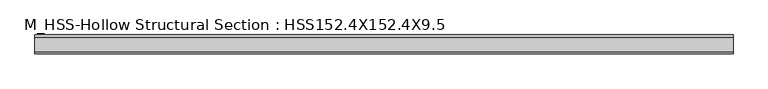
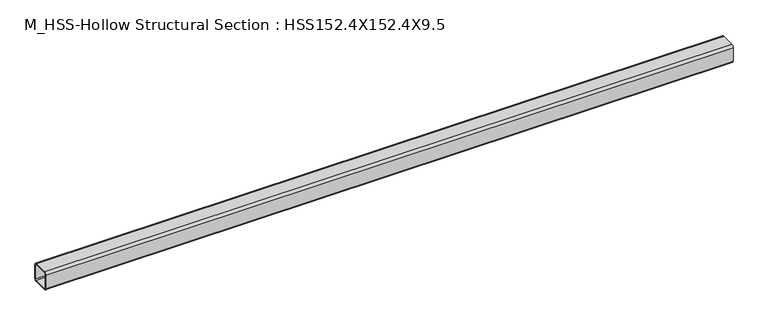
"""IFC4 building model written with IfcOpenShell, lengths in millimetres: member geometry, M_HSS-Hollow Structural Section : HSS152.4X152.4X9.5."""

from ifc_helpers import new_model, si_unit, point, frame, frame_2d, origin, place, context, project, spatial, polyline, circle_curve, trimmed, segment, composite_curve, outline, extrude, source, transform, mapped, element, save


def m_hss_hollow_structural_section_hss152_4x152_4x9_5_8194aa13(model_context):
    return source(origin(), model_context, "Body", "SweptSolid", [
        extrude(outline(composite_curve([segment(polyline([(76.0, 58.2), (76.0, -58.2)]), True, "CONTINUOUS"), segment(trimmed(circle_curve(frame_2d((58.2, -58.2)), 17.8), [point((76.0, -58.2))], [point((58.2, -76.0))], False, "CARTESIAN"), True, "CONTINUOUS"), segment(polyline([(58.2, -76.0), (-58.2, -76.0)]), True, "CONTINUOUS"), segment(trimmed(circle_curve(frame_2d((-58.2, -58.2)), 17.8), [point((-58.2, -76.0))], [point((-76.0, -58.2))], False, "CARTESIAN"), True, "CONTINUOUS"), segment(polyline([(-76.0, -58.2), (-76.0, 58.2)]), True, "CONTINUOUS"), segment(trimmed(circle_curve(frame_2d((-58.2, 58.2)), 17.8), [point((-76.0, 58.2))], [point((-58.2, 76.0))], False, "CARTESIAN"), True, "CONTINUOUS"), segment(polyline([(-58.2, 76.0), (58.2, 76.0)]), True, "CONTINUOUS"), segment(trimmed(circle_curve(frame_2d((58.2, 58.2)), 17.8), [point((58.2, 76.0))], [point((76.0, 58.2))], False, "CARTESIAN"), True, "CONTINUOUS")], self_intersect=False), holes=[composite_curve([segment(trimmed(circle_curve(frame_2d((-58.2, 58.2)), 8.9), [point((-58.2, 67.1))], [point((-67.1, 58.2))], True, "CARTESIAN"), True, "CONTINUOUS"), segment(polyline([(-67.1, 58.2), (-67.1, -58.2)]), True, "CONTINUOUS"), segment(trimmed(circle_curve(frame_2d((-58.2, -58.2)), 8.9), [point((-67.1, -58.2))], [point((-58.2, -67.1))], True, "CARTESIAN"), True, "CONTINUOUS"), segment(polyline([(-58.2, -67.1), (58.2, -67.1)]), True, "CONTINUOUS"), segment(trimmed(circle_curve(frame_2d((58.2, -58.2)), 8.9), [point((58.2, -67.1))], [point((67.1, -58.2))], True, "CARTESIAN"), True, "CONTINUOUS"), segment(polyline([(67.1, -58.2), (67.1, 58.2)]), True, "CONTINUOUS"), segment(trimmed(circle_curve(frame_2d((58.2, 58.2)), 8.9), [point((67.1, 58.2))], [point((58.2, 67.1))], True, "CARTESIAN"), True, "CONTINUOUS"), segment(polyline([(58.2, 67.1), (-58.2, 67.1)]), True, "CONTINUOUS")], self_intersect=False)]), frame((-2853.0333297, 0.0, 0.0), z_axis=(1.0, 0.0, 0.0), x_axis=(0.0, 1.0, 0.0)), (0.0, 0.0, 1.0), 5640.5533658),
    ])


if __name__ == "__main__":
    model = new_model("IFC4")
    model_context = context("Model", 3, world=origin())
    ifc_project = project(units=[si_unit("LENGTHUNIT", "METRE", prefix="MILLI")], contexts=[model_context])
    site = spatial("IfcSite", under=ifc_project)
    building = spatial("IfcBuilding", under=site)
    placement = place(None, origin())
    m_hss_hollow_structural_section_hss152_4x152_4x9_5_shape = m_hss_hollow_structural_section_hss152_4x152_4x9_5_8194aa13(model_context)
    element("IfcMember", 1, ObjectType="M_HSS-Hollow Structural Section : HSS152.4X152.4X9.5", at=placement, inside=building, context=model_context, shape_type="MappedRepresentation", body=[
        mapped(m_hss_hollow_structural_section_hss152_4x152_4x9_5_shape, transform((0.0, 0.0, 0.0), x_axis=(1.0, 0.0, 0.0), y_axis=(0.0, 1.0, 0.0), z_axis=(0.0, 0.0, 1.0))),
    ])
    save(model, "model.ifc")
